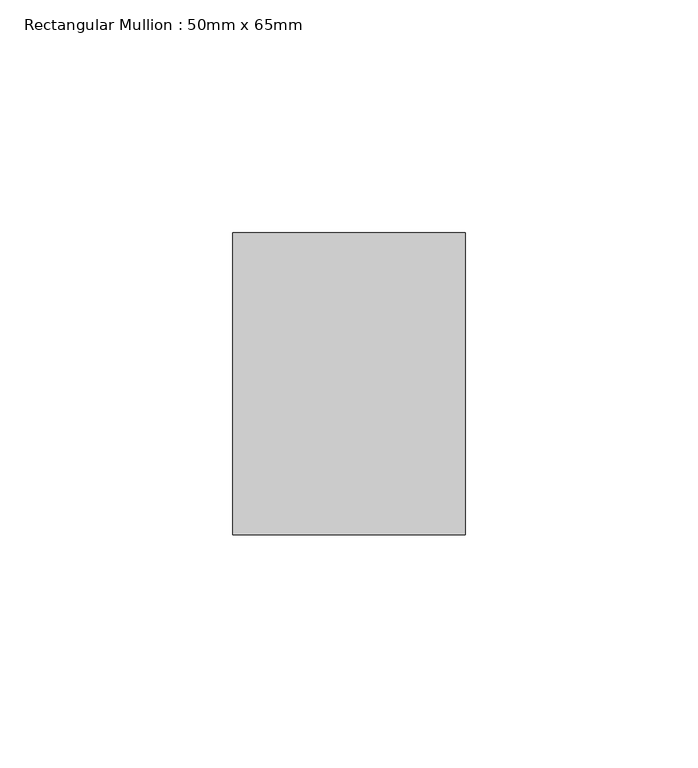
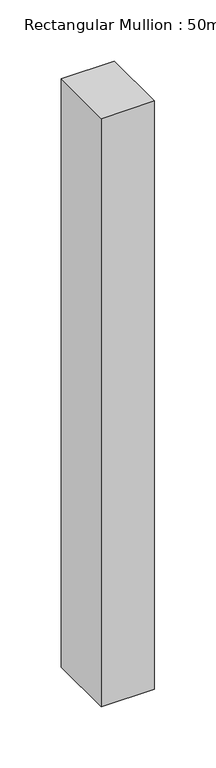
"""IFC4 building model written with IfcOpenShell, lengths in millimetres: member geometry, Rectangular Mullion : 50mm x 65mm."""

from ifc_helpers import new_model, si_unit, frame, origin, place, context, project, spatial, polyline, outline, extrude, source, transform, mapped, element, save


def rectangular_mullion_50mm_x_65mm_36777b79(model_context):
    return source(origin(), model_context, "Body", "SweptSolid", [
        extrude(outline(polyline([(25.0, 32.5), (25.0, -32.5), (-25.0, -32.5), (-25.0, 32.5), (25.0, 32.5)])), frame((0.0, 0.0, -585.2036442), z_axis=(0.0, 0.0, 1.0), x_axis=(1.0, 0.0, 0.0)), (0.0, 0.0, 1.0), 585.2036442),
    ])


if __name__ == "__main__":
    model = new_model("IFC4")
    model_context = context("Model", 3, world=origin())
    ifc_project = project(units=[si_unit("LENGTHUNIT", "METRE", prefix="MILLI")], contexts=[model_context])
    site = spatial("IfcSite", under=ifc_project)
    building = spatial("IfcBuilding", under=site)
    placement = place(None, origin())
    rectangular_mullion_50mm_x_65mm_shape = rectangular_mullion_50mm_x_65mm_36777b79(model_context)
    element("IfcMember", 1, ObjectType="Rectangular Mullion : 50mm x 65mm", at=placement, inside=building, context=model_context, shape_type="MappedRepresentation", body=[
        mapped(rectangular_mullion_50mm_x_65mm_shape, transform((0.0, 0.0, 0.0), x_axis=(1.0, 0.0, 0.0), y_axis=(0.0, 1.0, 0.0), z_axis=(0.0, 0.0, 1.0))),
    ])
    save(model, "model.ifc")
